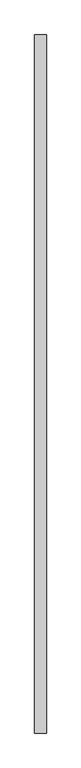
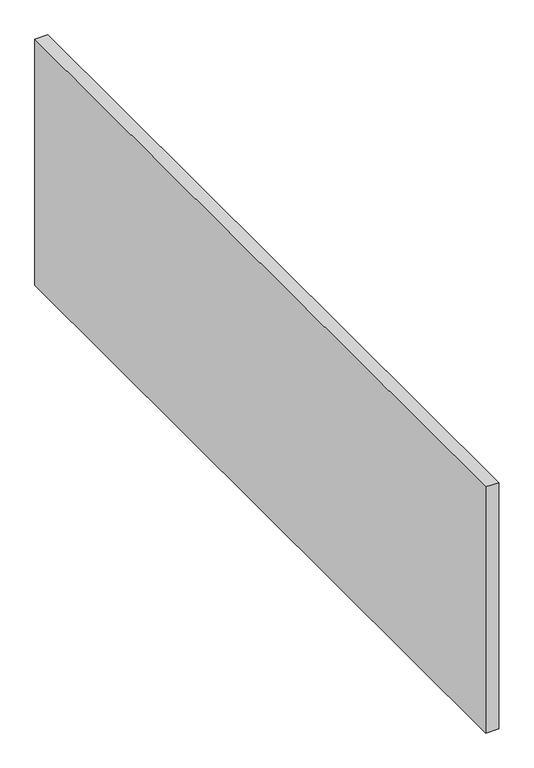
"""IFC4 building model written with IfcOpenShell, lengths in millimetres: proxy geometry."""

from ifc_helpers import new_model, si_unit, frame, origin, place, context, project, spatial, polyline, outline, extrude, source, transform, mapped, element, save


def generic_models_8ceb5b3b(model_context):
    return source(origin(), model_context, "Body", "SweptSolid", [
        extrude(outline(polyline([(100.0, 6000.0), (100.0, 0.0), (0.0, 0.0), (0.0, 6000.0), (100.0, 6000.0)])), frame((0.0, 0.0, 3500.0), z_axis=(0.0, 0.0, 1.0), x_axis=(1.0, 0.0, 0.0)), (0.0, 0.0, 1.0), 2000.0),
    ])


if __name__ == "__main__":
    model = new_model("IFC4")
    model_context = context("Model", 3, world=origin())
    ifc_project = project(units=[si_unit("LENGTHUNIT", "METRE", prefix="MILLI")], contexts=[model_context])
    site = spatial("IfcSite", under=ifc_project)
    building = spatial("IfcBuilding", under=site)
    placement = place(None, origin())
    generic_models_shape = generic_models_8ceb5b3b(model_context)
    element("IfcBuildingElementProxy", 1, Name="Generic Models", at=placement, inside=building, context=model_context, shape_type="MappedRepresentation", body=[
        mapped(generic_models_shape, transform((0.0, 0.0, 0.0), x_axis=(1.0, 0.0, 0.0), y_axis=(0.0, 1.0, 0.0), z_axis=(0.0, 0.0, 1.0))),
    ])
    save(model, "model.ifc")
